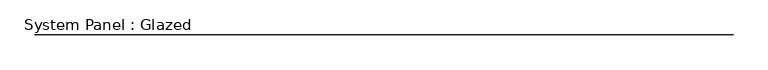
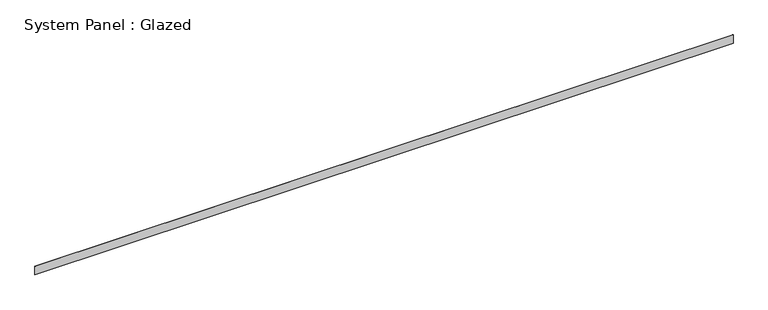
"""IFC4 building model written with IfcOpenShell, lengths in millimetres: plate geometry, System Panel : Glazed."""

from ifc_helpers import new_model, si_unit, origin, origin_with_axes, place, context, project, spatial, polyline, outline, extrude, source, transform, mapped, element, save


def system_panel_glazed_f1249bd1(model_context):
    return source(origin(), model_context, "Body", "SweptSolid", [
        extrude(outline(polyline([(221894.4, 19.05), (-221894.4, 19.05), (-221894.4, 44.45), (221894.4, 44.45), (221894.4, 19.05)])), origin_with_axes(), (0.0, 0.0, 1.0), 5689.6),
    ])


if __name__ == "__main__":
    model = new_model("IFC4")
    model_context = context("Model", 3, world=origin())
    ifc_project = project(units=[si_unit("LENGTHUNIT", "METRE", prefix="MILLI")], contexts=[model_context])
    site = spatial("IfcSite", under=ifc_project)
    building = spatial("IfcBuilding", under=site)
    placement = place(None, origin())
    system_panel_glazed_shape = system_panel_glazed_f1249bd1(model_context)
    element("IfcPlate", 1, ObjectType="System Panel : Glazed", at=placement, inside=building, context=model_context, shape_type="MappedRepresentation", body=[
        mapped(system_panel_glazed_shape, transform((0.0, 0.0, 0.0), x_axis=(1.0, 0.0, 0.0), y_axis=(0.0, 1.0, 0.0), z_axis=(0.0, 0.0, 1.0))),
    ])
    save(model, "model.ifc")
